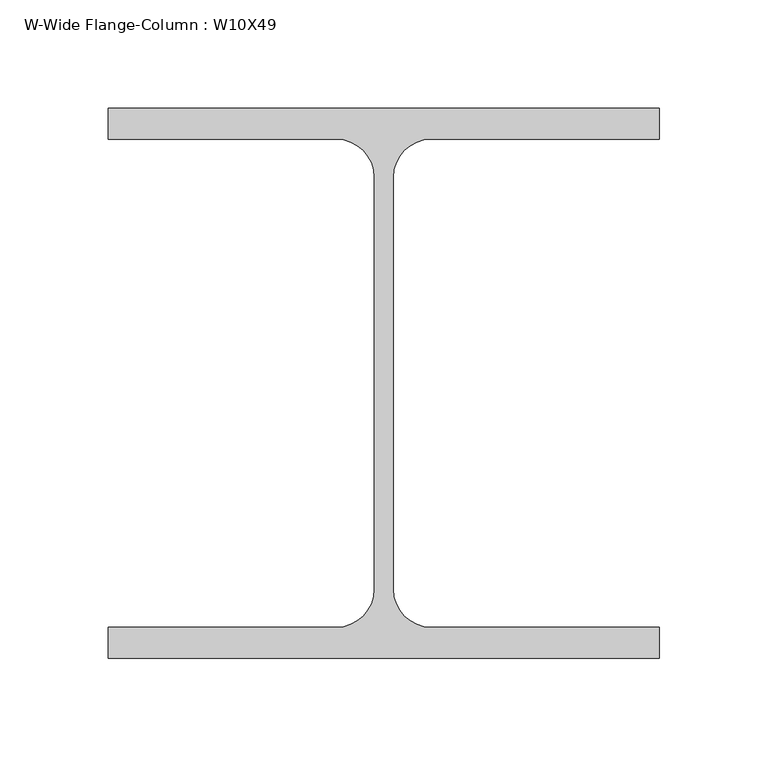
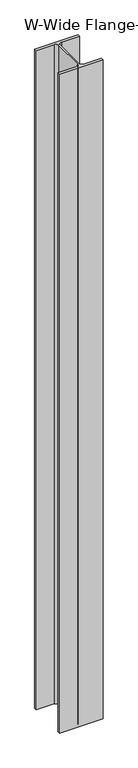
"""IFC4 building model written with IfcOpenShell, lengths in millimetres: column geometry, W-Wide Flange-Column : W10X49."""

from ifc_helpers import new_model, si_unit, point, frame, frame_2d, origin, place, context, project, spatial, polyline, circle_curve, trimmed, segment, composite_curve, outline, extrude, source, transform, mapped, element, save


def w_wide_flange_column_w10x49_a3d979ce(model_context):
    return source(origin(), model_context, "Body", "SweptSolid", [
        extrude(outline(composite_curve([segment(polyline([(127.0, 126.7519531), (127.0, 112.5636719), (21.8777344, 112.5636719)]), True, "CONTINUOUS"), segment(trimmed(circle_curve(frame_2d((21.8777344, 95.0019531)), 17.5617188), [point((21.8777344, 112.5636719))], [point((4.3160156, 95.0019531))], True, "CARTESIAN"), True, "CONTINUOUS"), segment(polyline([(4.3160156, 95.0019531), (4.3160156, -95.0019531)]), True, "CONTINUOUS"), segment(trimmed(circle_curve(frame_2d((21.8777344, -95.0019531)), 17.5617187), [point((4.3160156, -95.0019531))], [point((21.8777344, -112.5636719))], True, "CARTESIAN"), True, "CONTINUOUS"), segment(polyline([(21.8777344, -112.5636719), (127.0, -112.5636719), (127.0, -126.7519531), (-127.0, -126.7519531), (-127.0, -112.5636719), (-21.8777344, -112.5636719)]), True, "CONTINUOUS"), segment(trimmed(circle_curve(frame_2d((-21.8777344, -95.0019531)), 17.5617187), [point((-21.8777344, -112.5636719))], [point((-4.3160156, -95.0019531))], True, "CARTESIAN"), True, "CONTINUOUS"), segment(polyline([(-4.3160156, -95.0019531), (-4.3160156, 95.0019531)]), True, "CONTINUOUS"), segment(trimmed(circle_curve(frame_2d((-21.8777344, 95.0019531)), 17.5617188), [point((-4.3160156, 95.0019531))], [point((-21.8777344, 112.5636719))], True, "CARTESIAN"), True, "CONTINUOUS"), segment(polyline([(-21.8777344, 112.5636719), (-127.0, 112.5636719), (-127.0, 126.7519531), (127.0, 126.7519531)]), True, "CONTINUOUS")], self_intersect=False)), frame((0.0, 0.0, -127.0), z_axis=(0.0, 0.0, 1.0), x_axis=(1.0, 0.0, 0.0)), (0.0, 0.0, 1.0), 4089.4),
    ])


if __name__ == "__main__":
    model = new_model("IFC4")
    model_context = context("Model", 3, world=origin())
    ifc_project = project(units=[si_unit("LENGTHUNIT", "METRE", prefix="MILLI")], contexts=[model_context])
    site = spatial("IfcSite", under=ifc_project)
    building = spatial("IfcBuilding", under=site)
    placement = place(None, origin())
    w_wide_flange_column_w10x49_shape = w_wide_flange_column_w10x49_a3d979ce(model_context)
    element("IfcColumn", 1, ObjectType="W-Wide Flange-Column : W10X49", at=placement, inside=building, context=model_context, shape_type="MappedRepresentation", body=[
        mapped(w_wide_flange_column_w10x49_shape, transform((0.0, 0.0, 0.0), x_axis=(1.0, 0.0, 0.0), y_axis=(0.0, 1.0, 0.0), z_axis=(0.0, 0.0, 1.0))),
    ])
    save(model, "model.ifc")
